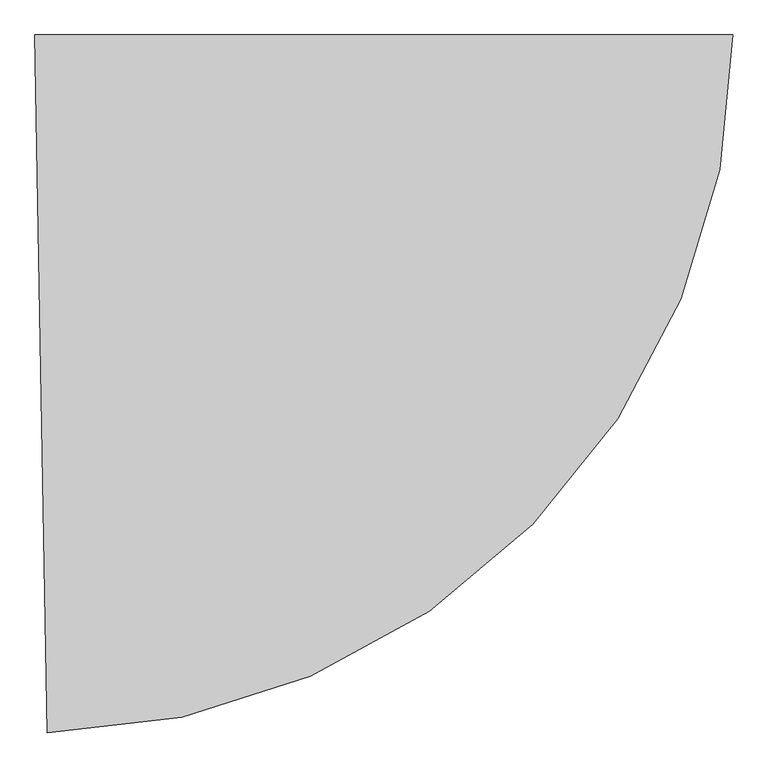
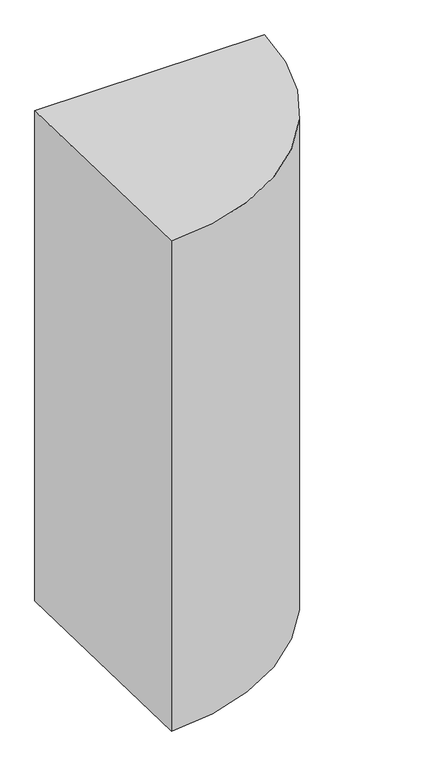
"""IFC4 building model written with IfcOpenShell, lengths in millimetres: proxy geometry."""

from ifc_helpers import new_model, si_unit, point, origin, origin_with_axes, origin_2d, place, context, project, spatial, polyline, circle_curve, trimmed, segment, composite_curve, outline, extrude, source, transform, mapped, element, save


def generic_models_80f559bb(model_context):
    return source(origin(), model_context, "Body", "SweptSolid", [
        extrude(outline(composite_curve([segment(polyline([(0.0, 0.0), (1046.0, 0.0)]), True, "CONTINUOUS"), segment(trimmed(circle_curve(origin_2d(), 1046.0), [point((1046.0, 0.0))], [point((18.2552171, -1045.8406891))], False, "CARTESIAN"), True, "CONTINUOUS"), segment(polyline([(18.2552171, -1045.8406891), (0.0, 0.0)]), True, "CONTINUOUS")], self_intersect=False)), origin_with_axes(), (0.0, 0.0, 1.0), 2359.9),
    ])


if __name__ == "__main__":
    model = new_model("IFC4")
    model_context = context("Model", 3, world=origin())
    ifc_project = project(units=[si_unit("LENGTHUNIT", "METRE", prefix="MILLI")], contexts=[model_context])
    site = spatial("IfcSite", under=ifc_project)
    building = spatial("IfcBuilding", under=site)
    placement = place(None, origin())
    generic_models_shape = generic_models_80f559bb(model_context)
    element("IfcBuildingElementProxy", 1, Name="Generic Models", at=placement, inside=building, context=model_context, shape_type="MappedRepresentation", body=[
        mapped(generic_models_shape, transform((0.0, 0.0, 0.0), x_axis=(1.0, 0.0, 0.0), y_axis=(0.0, 1.0, 0.0), z_axis=(0.0, 0.0, 1.0))),
    ])
    save(model, "model.ifc")
